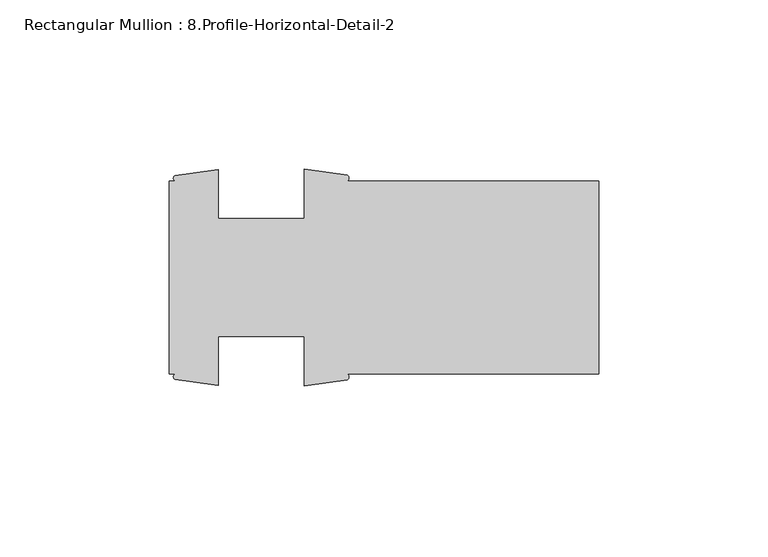
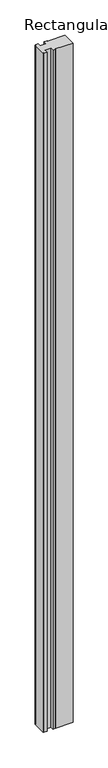
"""IFC4 building model written with IfcOpenShell, lengths in millimetres: member geometry, Rectangular Mullion : 8.Profile-Horizontal-Detail-2."""

from ifc_helpers import new_model, si_unit, point, frame, frame_2d, origin, place, context, project, spatial, polyline, circle_curve, trimmed, segment, composite_curve, outline, extrude, source, transform, mapped, element, save


def rectangular_mullion_8_profile_horizontal_detail_2_c3fc7f5d(model_context):
    return source(origin(), model_context, "Body", "SweptSolid", [
        extrude(outline(composite_curve([segment(trimmed(circle_curve(frame_2d((-124.8468903, 29.3679481)), 0.8977194), [point((-125.2677625, 28.575))], [point((-125.2677625, 30.1608963))], False, "CARTESIAN"), True, "CONTINUOUS"), segment(polyline([(-125.2677625, 30.1608963), (-112.496475, 31.971), (-112.496475, 17.4625), (-87.096475, 17.4625), (-87.096475, 32.0945217), (-74.3234222, 30.2384044)]), True, "CONTINUOUS"), segment(trimmed(circle_curve(frame_2d((-74.8677807, 29.4067022)), 0.9940094), [point((-74.3234222, 30.2384044))], [point((-74.3234222, 28.575))], False, "CARTESIAN"), True, "CONTINUOUS"), segment(polyline([(-74.3234222, 28.575), (0.0, 28.575), (0.0, -28.575), (-74.3234222, -28.575)]), True, "CONTINUOUS"), segment(trimmed(circle_curve(frame_2d((-74.8116473, -29.4067022)), 0.9644129), [point((-74.3234222, -28.575))], [point((-74.3234222, -30.2384044))], False, "CARTESIAN"), True, "CONTINUOUS"), segment(polyline([(-74.3234222, -30.2384044), (-87.0219544, -32.0836928), (-87.0219544, -17.4625), (-112.496475, -17.4625), (-112.496475, -31.971), (-125.2677625, -30.1608963)]), True, "CONTINUOUS"), segment(trimmed(circle_curve(frame_2d((-124.8591945, -29.3679481)), 0.8920172), [point((-125.2677625, -30.1608963))], [point((-125.2677625, -28.575))], False, "CARTESIAN"), True, "CONTINUOUS"), segment(polyline([(-125.2677625, -28.575), (-127.0, -28.575), (-127.0, 28.575), (-125.2677625, 28.575)]), True, "CONTINUOUS")], self_intersect=False)), frame((0.0, 0.0, -3048.0), z_axis=(0.0, 0.0, 1.0), x_axis=(1.0, 0.0, 0.0)), (0.0, 0.0, 1.0), 3048.0),
    ])


if __name__ == "__main__":
    model = new_model("IFC4")
    model_context = context("Model", 3, world=origin())
    ifc_project = project(units=[si_unit("LENGTHUNIT", "METRE", prefix="MILLI")], contexts=[model_context])
    site = spatial("IfcSite", under=ifc_project)
    building = spatial("IfcBuilding", under=site)
    placement = place(None, origin())
    rectangular_mullion_8_profile_horizontal_detail_2_shape = rectangular_mullion_8_profile_horizontal_detail_2_c3fc7f5d(model_context)
    element("IfcMember", 1, ObjectType="Rectangular Mullion : 8.Profile-Horizontal-Detail-2", at=placement, inside=building, context=model_context, shape_type="MappedRepresentation", body=[
        mapped(rectangular_mullion_8_profile_horizontal_detail_2_shape, transform((0.0, 0.0, 0.0), x_axis=(1.0, 0.0, 0.0), y_axis=(0.0, 1.0, 0.0), z_axis=(0.0, 0.0, 1.0))),
    ])
    save(model, "model.ifc")
